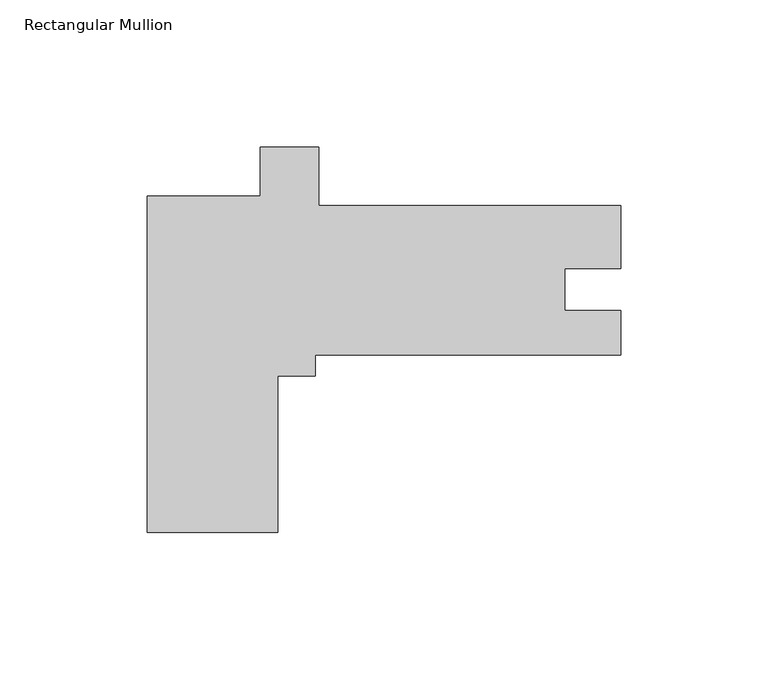
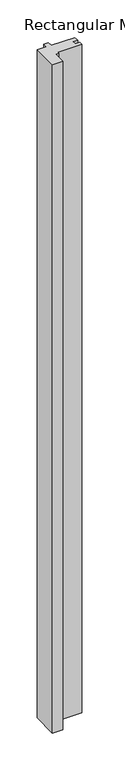
"""IFC4 building model written with IfcOpenShell, lengths in millimetres: member geometry, Rectangular Mullion."""

from ifc_helpers import new_model, si_unit, frame, origin, place, context, project, spatial, polyline, outline, extrude, source, transform, mapped, element, save


def rectangular_mullion_73e8786b(model_context):
    return source(origin(), model_context, "Body", "SweptSolid", [
        extrude(outline(polyline([(-116.6812513, -57.148095), (-161.1312513, -57.148095), (-161.1312513, 57.148095), (-122.6306865, 57.148095), (-122.6306865, 73.9371608), (-102.8133514, 73.9371608), (-102.8133514, 53.973095), (-1.3e-06, 53.973095), (-1.3e-06, 32.5900939), (-19.0246, 32.5900939), (-19.0246, 18.273395), (0.0, 18.273395), (0.0, 3.173095), (-103.9812513, 3.173095), (-103.9812513, -3.985895), (-116.6812513, -3.985895), (-116.6812513, -57.148095)])), frame((0.0, 0.0, -3048.0), z_axis=(0.0, 0.0, 1.0), x_axis=(1.0, 0.0, 0.0)), (0.0, 0.0, 1.0), 3048.0),
    ])


if __name__ == "__main__":
    model = new_model("IFC4")
    model_context = context("Model", 3, world=origin())
    ifc_project = project(units=[si_unit("LENGTHUNIT", "METRE", prefix="MILLI")], contexts=[model_context])
    site = spatial("IfcSite", under=ifc_project)
    building = spatial("IfcBuilding", under=site)
    placement = place(None, origin())
    rectangular_mullion_shape = rectangular_mullion_73e8786b(model_context)
    element("IfcMember", 1, ObjectType="Rectangular Mullion", at=placement, inside=building, context=model_context, shape_type="MappedRepresentation", body=[
        mapped(rectangular_mullion_shape, transform((0.0, 0.0, 0.0), x_axis=(1.0, 0.0, 0.0), y_axis=(0.0, 1.0, 0.0), z_axis=(0.0, 0.0, 1.0))),
    ])
    save(model, "model.ifc")
